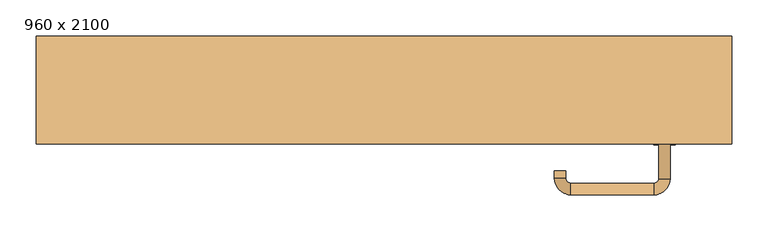
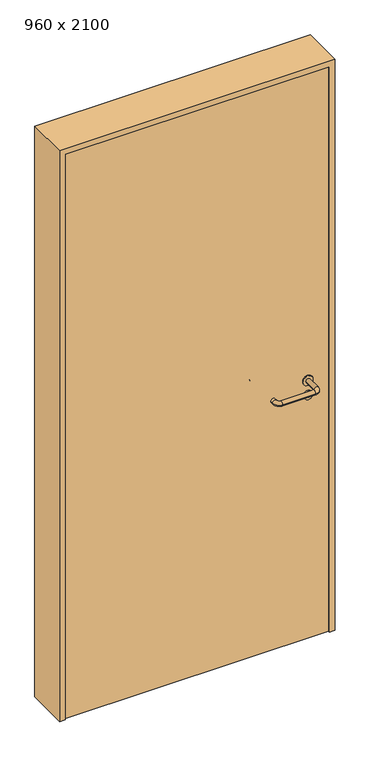
"""IFC4 building model written with IfcOpenShell, lengths in millimetres: door geometry, 960 x 2100."""

from ifc_helpers import new_model, si_unit, point, frame, frame_2d, origin, origin_with_axes, place, context, project, spatial, polyline, circle_curve, ellipse_curve, trimmed, segment, composite_curve, outline, extrude, source, transform, mapped, element, save
from ifc_brep_helpers import plane_surface, cylinder_surface, revolved_surface, advanced_brep


def door_960_x_2100_5cb806d8(model_context):
    return source(origin(), model_context, "Body", "SolidModel", [
        extrude(outline(composite_curve([segment(trimmed(circle_curve(frame_2d((897.3605726, 387.0)), 15.0), [point((897.3605726, 402.0))], [point((897.3605726, 372.0))], False, "CARTESIAN"), True, "CONTINUOUS"), segment(trimmed(circle_curve(frame_2d((897.3605726, 387.0)), 15.0), [point((897.3605726, 372.0))], [point((897.3605726, 402.0))], False, "CARTESIAN"), True, "CONTINUOUS")], self_intersect=False), holes=[composite_curve([segment(trimmed(circle_curve(frame_2d((892.5833211, 386.9398032)), 2.0), [point((892.5833211, 388.9398032))], [point((892.5833211, 384.9398032))], True, "CARTESIAN"), True, "CONTINUOUS"), segment(polyline([(892.5833211, 384.9398032), (902.5833211, 384.9398032)]), True, "CONTINUOUS"), segment(trimmed(circle_curve(frame_2d((902.5833211, 386.9398032)), 2.0), [point((902.5833211, 384.9398032))], [point((902.5833211, 388.9398032))], True, "CARTESIAN"), True, "CONTINUOUS"), segment(polyline([(902.5833211, 388.9398032), (892.5833211, 388.9398032)]), True, "CONTINUOUS")], self_intersect=False)]), frame((0.0, -40.0, 0.0), z_axis=(0.0, 1.0, 0.0), x_axis=(0.0, 0.0, 1.0)), (0.0, 0.0, 1.0), 6.35),
        extrude(outline(composite_curve([segment(trimmed(circle_curve(frame_2d((950.0, 387.0)), 17.526), [point((950.0, 404.526))], [point((950.0, 369.474))], False, "CARTESIAN"), True, "CONTINUOUS"), segment(trimmed(circle_curve(frame_2d((950.0, 387.0)), 17.526), [point((950.0, 369.474))], [point((950.0, 404.526))], False, "CARTESIAN"), True, "CONTINUOUS")], self_intersect=False)), frame((0.0, -40.0, 0.0), z_axis=(0.0, 1.0, 0.0), x_axis=(0.0, 0.0, 1.0)), (0.0, 0.0, 1.0), 3.175),
        advanced_brep(
        [(395.0, -40.0, 950.0), (379.0, -40.0, 950.0), (395.0, 13.0, 950.0), (379.0, 13.0, 950.0), (372.8578644, 19.1421356, 950.0), (372.8578644, 35.1421356, 950.0), (257.8578644, 35.1421356, 950.0), (257.8578644, 19.1421356, 950.0), (251.008622, 12.2928932, 950.0), (235.008622, 12.2928932, 950.0), (235.008622, 2.2928932, 950.0), (251.008622, 2.2928932, 950.0)],
        [
            (0, 1, circle_curve(frame((387.0, -40.0, 950.0), z_axis=(0.0, -1.0, 0.0), x_axis=(-1.0, 0.0, 0.0)), 8.0)),
            (1, 0, circle_curve(frame((387.0, -40.0, 950.0), z_axis=(0.0, -1.0, 0.0), x_axis=(-1.0, 0.0, 0.0)), 8.0)),
            (0, 2),
            (2, 3, circle_curve(frame((387.0, 13.0, 950.0), z_axis=(0.0, -1.0, 0.0), x_axis=(-1.0, 0.0, 0.0)), 8.0)),
            (3, 1),
            (3, 2, circle_curve(frame((387.0, 13.0, 950.0), z_axis=(0.0, -1.0, 0.0), x_axis=(-1.0, 0.0, 0.0)), 8.0)),
            (4, 3, circle_curve(frame((372.8578644, 13.0, 950.0), z_axis=(0.0, 0.0, -1.0), x_axis=(1.0, 0.0, 0.0)), 6.1421356)),
            (2, 5, circle_curve(frame((372.8578644, 13.0, 950.0), z_axis=(0.0, 0.0, 1.0), x_axis=(1.0, 0.0, 0.0)), 22.1421356)),
            (5, 4, circle_curve(frame((372.8578644, 27.1421356, 950.0), z_axis=(1.0, 0.0, 0.0), x_axis=(0.0, -1.0, 0.0)), 8.0)),
            (4, 5, circle_curve(frame((372.8578644, 27.1421356, 950.0), z_axis=(1.0, 0.0, 0.0), x_axis=(0.0, -1.0, 0.0)), 8.0)),
            (5, 6),
            (6, 7, circle_curve(frame((257.8578644, 27.1421356, 950.0), z_axis=(1.0, 0.0, 0.0), x_axis=(0.0, -1.0, 0.0)), 8.0)),
            (7, 4),
            (7, 6, circle_curve(frame((257.8578644, 27.1421356, 950.0), z_axis=(1.0, 0.0, 0.0), x_axis=(0.0, -1.0, 0.0)), 8.0)),
            (8, 7, circle_curve(frame((257.8578644, 12.2928932, 950.0), z_axis=(0.0, 0.0, -1.0), x_axis=(0.0, 1.0, 0.0)), 6.8492424)),
            (6, 9, circle_curve(frame((257.8578644, 12.2928932, 950.0), z_axis=(0.0, 0.0, 1.0), x_axis=(0.0, 1.0, 0.0)), 22.8492424)),
            (9, 8, circle_curve(frame((243.008622, 12.2928932, 950.0), z_axis=(0.0, 1.0, 0.0), x_axis=(1.0, 0.0, 0.0)), 8.0)),
            (8, 9, circle_curve(frame((243.008622, 12.2928932, 950.0), z_axis=(0.0, 1.0, 0.0), x_axis=(1.0, 0.0, 0.0)), 8.0)),
            (10, 11, circle_curve(frame((243.008622, 2.2928932, 950.0), z_axis=(0.0, -1.0, 0.0), x_axis=(1.0, 0.0, 0.0)), 8.0)),
            (11, 10, circle_curve(frame((243.008622, 2.2928932, 950.0), z_axis=(0.0, -1.0, 0.0), x_axis=(1.0, 0.0, 0.0)), 8.0)),
            (9, 10),
            (11, 8),
        ],
        [
            plane_surface(frame((387.0, -40.0, 0.0), z_axis=(0.0, -1.0, 0.0), x_axis=(0.0, 0.0, 1.0))),
            cylinder_surface(frame((387.0, -40.0, 950.0), z_axis=(0.0, -1.0, 0.0), x_axis=(-1.0, 0.0, 0.0)), 8.0),
            revolved_surface(trimmed(ellipse_curve(frame((387.0, 13.0, 950.0), z_axis=(0.0, -1.0, 0.0), x_axis=(-1.0, 0.0, 0.0)), 8.0, 8.0), [point((395.0, 13.0, 950.0))], [point((379.0, 13.0, 950.0))], True, "CARTESIAN"), (372.8578644, 13.0, 0.0), (0.0, 0.0, 1.0)),
            revolved_surface(trimmed(ellipse_curve(frame((387.0, 13.0, 950.0), z_axis=(0.0, -1.0, 0.0), x_axis=(-1.0, 0.0, 0.0)), 8.0, 8.0), [point((379.0, 13.0, 950.0))], [point((395.0, 13.0, 950.0))], True, "CARTESIAN"), (372.8578644, 13.0, 0.0), (0.0, 0.0, 1.0)),
            cylinder_surface(frame((372.8578644, 27.1421356, 950.0), z_axis=(1.0, 0.0, 0.0), x_axis=(0.0, -1.0, 0.0)), 8.0),
            revolved_surface(trimmed(ellipse_curve(frame((257.8578644, 27.1421356, 950.0), z_axis=(1.0, 0.0, 0.0), x_axis=(0.0, -1.0, 0.0)), 8.0, 8.0), [point((257.8578644, 35.1421356, 950.0))], [point((257.8578644, 19.1421356, 950.0))], True, "CARTESIAN"), (257.8578644, 12.2928932, 0.0), (0.0, 0.0, 1.0)),
            revolved_surface(trimmed(ellipse_curve(frame((257.8578644, 27.1421356, 950.0), z_axis=(1.0, 0.0, 0.0), x_axis=(0.0, -1.0, 0.0)), 8.0, 8.0), [point((257.8578644, 19.1421356, 950.0))], [point((257.8578644, 35.1421356, 950.0))], True, "CARTESIAN"), (257.8578644, 12.2928932, 0.0), (0.0, 0.0, 1.0)),
            plane_surface(frame((243.008622, 2.2928932, 0.0), z_axis=(0.0, -1.0, 0.0), x_axis=(0.0, 0.0, 1.0))),
            cylinder_surface(frame((243.008622, 12.2928932, 950.0), z_axis=(0.0, 1.0, 0.0), x_axis=(1.0, 0.0, 0.0)), 8.0),
        ],
        [
            (0, [[1, 2]]),
            (1, [[-1, 3, 4, 5]]),
            (1, [[-2, -5, 6, -3]]),
            (2, [[7, -4, 8, 9]]),
            (3, [[-8, -6, -7, 10]]),
            (4, [[-9, 11, 12, 13]]),
            (4, [[-10, -13, 14, -11]]),
            (5, [[15, -12, 16, 17]]),
            (6, [[-16, -14, -15, 18]]),
            (7, [[19, 20]]),
            (8, [[-17, 21, -20, 22]]),
            (8, [[-18, -22, -19, -21]]),
        ],
    ),
        extrude(outline(composite_curve([segment(trimmed(circle_curve(frame_2d((0.0, 15.0)), 15.0), [point((0.0, 30.0))], [point((0.0, 0.0))], False, "CARTESIAN"), True, "CONTINUOUS"), segment(trimmed(circle_curve(frame_2d((0.0, 15.0)), 15.0), [point((0.0, 0.0))], [point((0.0, 30.0))], False, "CARTESIAN"), True, "CONTINUOUS")], self_intersect=False), holes=[composite_curve([segment(trimmed(circle_curve(frame_2d((-4.7772515, 14.9398032)), 2.0), [point((-4.7772515, 16.9398032))], [point((-4.7772515, 12.9398032))], True, "CARTESIAN"), True, "CONTINUOUS"), segment(polyline([(-4.7772515, 12.9398032), (5.2227485, 12.9398032)]), True, "CONTINUOUS"), segment(trimmed(circle_curve(frame_2d((5.2227485, 14.9398032)), 2.0), [point((5.2227485, 12.9398032))], [point((5.2227485, 16.9398032))], True, "CARTESIAN"), True, "CONTINUOUS"), segment(polyline([(5.2227485, 16.9398032), (-4.7772515, 16.9398032)]), True, "CONTINUOUS")], self_intersect=False)]), frame((372.0, -76.35, 897.3605726), z_axis=(-1.8870575173328306e-12, 1.0, 0.0), x_axis=(0.0, 0.0, 1.0)), (0.0, 0.0, 1.0), 6.35),
        extrude(outline(composite_curve([segment(trimmed(circle_curve(frame_2d((0.0, 17.526)), 17.526), [point((0.0, 35.052))], [point((0.0, 0.0))], False, "CARTESIAN"), True, "CONTINUOUS"), segment(trimmed(circle_curve(frame_2d((0.0, 17.526)), 17.526), [point((0.0, 0.0))], [point((0.0, 35.052))], False, "CARTESIAN"), True, "CONTINUOUS")], self_intersect=False)), frame((369.474, -73.175, 950.0), z_axis=(-1.8870575173328306e-12, 1.0, 0.0), x_axis=(0.0, 0.0, 1.0)), (0.0, 0.0, 1.0), 3.175),
        advanced_brep(
        [(395.0, -70.0, 950.0), (379.0, -70.0, 950.0), (379.0, -123.0, 950.0), (395.0, -123.0, 950.0), (372.8578644, -129.1421356, 950.0), (372.8578644, -145.1421356, 950.0), (257.8578644, -129.1421356, 950.0), (257.8578644, -145.1421356, 950.0), (251.008622, -122.2928932, 950.0), (235.008622, -122.2928932, 950.0), (235.008622, -112.2928932, 950.0), (251.008622, -112.2928932, 950.0)],
        [
            (0, 1, circle_curve(frame((387.0, -70.0, 950.0), z_axis=(-1.888672253512351e-12, 1.0, 0.0), x_axis=(-1.0, -1.888672253512351e-12, 0.0)), 8.0)),
            (1, 0, circle_curve(frame((387.0, -70.0, 950.0), z_axis=(-1.888672253512351e-12, 1.0, 0.0), x_axis=(-1.0, -1.888672253512351e-12, 0.0)), 8.0)),
            (1, 2),
            (2, 3, circle_curve(frame((387.0, -123.0, 950.0), z_axis=(-1.888672253512351e-12, 1.0, 0.0), x_axis=(-1.0, -1.888672253512351e-12, 0.0)), 8.0)),
            (3, 0),
            (3, 2, circle_curve(frame((387.0, -123.0, 950.0), z_axis=(-1.888672253512351e-12, 1.0, 0.0), x_axis=(-1.0, -1.888672253512351e-12, 0.0)), 8.0)),
            (4, 5, circle_curve(frame((372.8578644, -137.1421356, 950.0), z_axis=(1.0, 1.913702061528922e-12, 0.0), x_axis=(-1.913702061528922e-12, 1.0, 0.0)), 8.0)),
            (5, 3, circle_curve(frame((372.8578644, -123.0, 950.0), z_axis=(0.0, 0.0, 1.0), x_axis=(1.0, 1.880717803715015e-12, 0.0)), 22.1421356)),
            (2, 4, circle_curve(frame((372.8578644, -123.0, 950.0), z_axis=(0.0, 0.0, -1.0), x_axis=(1.0, 1.880717803715015e-12, 0.0)), 6.1421356)),
            (5, 4, circle_curve(frame((372.8578644, -137.1421356, 950.0), z_axis=(1.0, 1.913702061528922e-12, 0.0), x_axis=(-1.913702061528922e-12, 1.0, 0.0)), 8.0)),
            (4, 6),
            (6, 7, circle_curve(frame((257.8578644, -137.1421356, 950.0), z_axis=(1.0, 1.913719828541269e-12, 0.0), x_axis=(-1.913719828541269e-12, 1.0, 0.0)), 8.0)),
            (7, 5),
            (7, 6, circle_curve(frame((257.8578644, -137.1421356, 950.0), z_axis=(1.0, 1.913719828541269e-12, 0.0), x_axis=(-1.913719828541269e-12, 1.0, 0.0)), 8.0)),
            (8, 9, circle_curve(frame((243.008622, -122.2928932, 950.0), z_axis=(1.8888942981172756e-12, -1.0, 0.0), x_axis=(1.0, 1.8888942981172756e-12, 0.0)), 8.0)),
            (9, 7, circle_curve(frame((257.8578644, -122.2928932, 950.0), z_axis=(0.0, 0.0, 1.0), x_axis=(1.9120873253494017e-12, -1.0, 0.0)), 22.8492424)),
            (6, 8, circle_curve(frame((257.8578644, -122.2928932, 950.0), z_axis=(0.0, 0.0, -1.0), x_axis=(1.9120873253494017e-12, -1.0, 0.0)), 6.8492424)),
            (9, 8, circle_curve(frame((243.008622, -122.2928932, 950.0), z_axis=(1.890448610351751e-12, -1.0, 0.0), x_axis=(1.0, 1.890448610351751e-12, 0.0)), 8.0)),
            (10, 11, circle_curve(frame((243.008622, -112.2928932, 950.0), z_axis=(-1.8903642334018795e-12, 1.0, 0.0), x_axis=(1.0, 1.8903642334018795e-12, 0.0)), 8.0)),
            (11, 10, circle_curve(frame((243.008622, -112.2928932, 950.0), z_axis=(-1.8903642334018795e-12, 1.0, 0.0), x_axis=(1.0, 1.8903642334018795e-12, 0.0)), 8.0)),
            (8, 11),
            (10, 9),
        ],
        [
            plane_surface(frame((387.0, -70.0, 0.0), z_axis=(-1.8870575173328306e-12, 1.0, 0.0), x_axis=(0.0, 0.0, 1.0))),
            cylinder_surface(frame((387.0, -70.0, 950.0), z_axis=(-1.888672253512351e-12, 1.0, 0.0), x_axis=(-1.0, -1.888672253512351e-12, 0.0)), 8.0),
            revolved_surface(trimmed(ellipse_curve(frame((387.0, -123.0, 950.0), z_axis=(1.8823325398945356e-12, -1.0, 0.0), x_axis=(-1.0, -1.8823325398945356e-12, 0.0)), 8.0, 8.0), [point((395.0, -123.0, 950.0))], [point((379.0, -123.0, 950.0))], True, "CARTESIAN"), (372.8578644, -123.0, 0.0), (0.0, 0.0, 1.0)),
            revolved_surface(trimmed(ellipse_curve(frame((387.0, -123.0, 950.0), z_axis=(1.8823325398945356e-12, -1.0, 0.0), x_axis=(-1.0, -1.8823325398945356e-12, 0.0)), 8.0, 8.0), [point((379.0, -123.0, 950.0))], [point((395.0, -123.0, 950.0))], True, "CARTESIAN"), (372.8578644, -123.0, 0.0), (0.0, 0.0, 1.0)),
            cylinder_surface(frame((372.8578644, -137.1421356, 950.0), z_axis=(1.0, 1.913719828541269e-12, 0.0), x_axis=(-1.913719828541269e-12, 1.0, 0.0)), 8.0),
            revolved_surface(trimmed(ellipse_curve(frame((257.8578644, -137.1421356, 950.0), z_axis=(-1.0, -1.913702061528922e-12, 0.0), x_axis=(-1.913702061528922e-12, 1.0, 0.0)), 8.0, 8.0), [point((257.8578644, -145.1421356, 950.0))], [point((257.8578644, -129.1421356, 950.0))], True, "CARTESIAN"), (257.8578644, -122.2928932, 0.0), (0.0, 0.0, 1.0)),
            revolved_surface(trimmed(ellipse_curve(frame((257.8578644, -137.1421356, 950.0), z_axis=(-1.0, -1.913702061528922e-12, 0.0), x_axis=(-1.913702061528922e-12, 1.0, 0.0)), 8.0, 8.0), [point((257.8578644, -129.1421356, 950.0))], [point((257.8578644, -145.1421356, 950.0))], True, "CARTESIAN"), (257.8578644, -122.2928932, 0.0), (0.0, 0.0, 1.0)),
            plane_surface(frame((243.008622, -112.2928932, 0.0), z_axis=(-1.8887494972223595e-12, 1.0, 0.0), x_axis=(0.0, 0.0, 1.0))),
            cylinder_surface(frame((243.008622, -122.2928932, 950.0), z_axis=(1.8903642334018795e-12, -1.0, 0.0), x_axis=(1.0, 1.8903642334018795e-12, 0.0)), 8.0),
        ],
        [
            (0, [[1, 2]]),
            (1, [[3, 4, 5, -2]]),
            (1, [[-5, 6, -3, -1]]),
            (2, [[7, 8, -4, 9]]),
            (3, [[10, -9, -6, -8]]),
            (4, [[11, 12, 13, -7]]),
            (4, [[-13, 14, -11, -10]]),
            (5, [[15, 16, -12, 17]]),
            (6, [[18, -17, -14, -16]]),
            (7, [[19, 20]]),
            (8, [[21, -19, 22, -15]]),
            (8, [[-22, -20, -21, -18]]),
        ],
    ),
        extrude(outline(polyline([(2080.0, 460.0), (0.0, 460.0), (0.0, 480.0), (2100.0, 480.0), (2100.0, -480.0), (0.0, -480.0), (0.0, -460.0), (2080.0, -460.0), (2080.0, 460.0)])), frame((0.0, -75.0, 0.0), z_axis=(0.0, 1.0, 0.0), x_axis=(0.0, 0.0, 1.0)), (0.0, 0.0, 1.0), 149.0),
        extrude(outline(polyline([(-460.0, -70.0), (-460.0, -40.0), (460.0, -40.0), (460.0, -70.0), (-460.0, -70.0)])), origin_with_axes(), (0.0, 0.0, 1.0), 2080.0),
    ])


if __name__ == "__main__":
    model = new_model("IFC4")
    model_context = context("Model", 3, world=origin())
    ifc_project = project(units=[si_unit("LENGTHUNIT", "METRE", prefix="MILLI")], contexts=[model_context])
    site = spatial("IfcSite", under=ifc_project)
    building = spatial("IfcBuilding", under=site)
    placement = place(None, origin())
    door_960_x_2100_shape = door_960_x_2100_5cb806d8(model_context)
    element("IfcDoor", 1, ObjectType="960 x 2100", at=placement, inside=building, context=model_context, shape_type="MappedRepresentation", body=[
        mapped(door_960_x_2100_shape, transform((0.0, 0.0, 0.0), x_axis=(1.0, 0.0, 0.0), y_axis=(0.0, 1.0, 0.0), z_axis=(0.0, 0.0, 1.0))),
    ])
    save(model, "model.ifc")
